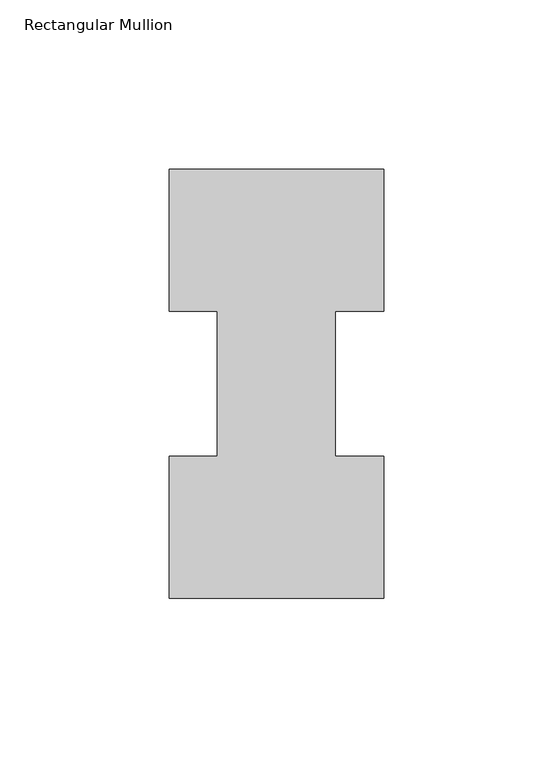
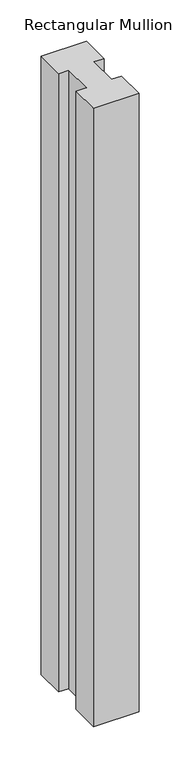
"""IFC4 building model written with IfcOpenShell, lengths in millimetres: member geometry, Rectangular Mullion."""

from ifc_helpers import new_model, si_unit, frame, origin, place, context, project, spatial, polyline, outline, extrude, source, transform, mapped, element, save


def rectangular_mullion_c382020b(model_context):
    return source(origin(), model_context, "Body", "SweptSolid", [
        extrude(outline(polyline([(-31.75, 126.7086938), (31.75, 126.7086938), (31.75, 84.6335938), (17.4625, 84.6335938), (17.4625, 41.7837937), (31.75, 41.7837937), (31.75, -0.2913062), (-31.75, -0.2913062), (-31.75, 41.7837937), (-17.4625, 41.7837937), (-17.4625, 84.6335938), (-31.75, 84.6335938), (-31.75, 126.7086938)])), frame((0.0, 0.0, -914.4), z_axis=(0.0, 0.0, 1.0), x_axis=(1.0, 0.0, 0.0)), (0.0, 0.0, 1.0), 914.4),
    ])


if __name__ == "__main__":
    model = new_model("IFC4")
    model_context = context("Model", 3, world=origin())
    ifc_project = project(units=[si_unit("LENGTHUNIT", "METRE", prefix="MILLI")], contexts=[model_context])
    site = spatial("IfcSite", under=ifc_project)
    building = spatial("IfcBuilding", under=site)
    placement = place(None, origin())
    rectangular_mullion_shape = rectangular_mullion_c382020b(model_context)
    element("IfcMember", 1, ObjectType="Rectangular Mullion", at=placement, inside=building, context=model_context, shape_type="MappedRepresentation", body=[
        mapped(rectangular_mullion_shape, transform((0.0, 0.0, 0.0), x_axis=(1.0, 0.0, 0.0), y_axis=(0.0, 1.0, 0.0), z_axis=(0.0, 0.0, 1.0))),
    ])
    save(model, "model.ifc")
